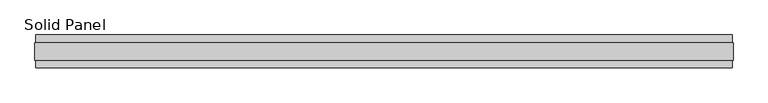
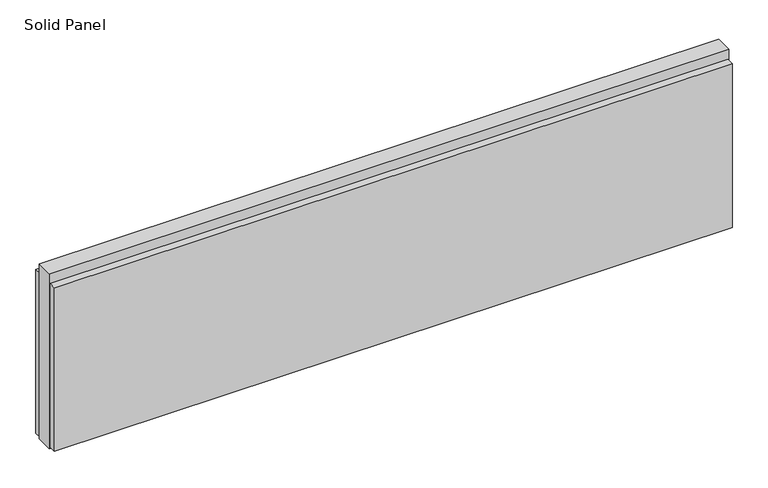
"""IFC4 building model written with IfcOpenShell, lengths in millimetres: plate geometry, Solid Panel."""

from ifc_helpers import new_model, si_unit, frame, origin, origin_with_axes, place, context, project, spatial, polyline, outline, extrude, source, transform, mapped, element, save


def solid_panel_81cdba75(model_context):
    return source(origin(), model_context, "Body", "SweptSolid", [
        extrude(outline(polyline([(1024.0783708, -48.4531867), (-1024.0783708, -48.4531867), (-1024.0783708, -25.9961), (1024.0783708, -25.9961), (1024.0783708, -48.4531867)])), frame((0.0, 0.0, 3.0099), z_axis=(0.0, 0.0, 1.0), x_axis=(1.0, 0.0, 0.0)), (0.0, 0.0, 1.0), 523.7861),
        extrude(outline(polyline([(1024.0783708, 25.9977), (-1024.0783708, 25.9977), (-1024.0783708, 48.4547867), (1024.0783708, 48.4547867), (1024.0783708, 25.9977)])), frame((0.0, 0.0, 3.0099), z_axis=(0.0, 0.0, 1.0), x_axis=(1.0, 0.0, 0.0)), (0.0, 0.0, 1.0), 523.7861),
        extrude(outline(polyline([(1027.0755708, -25.9961), (-1027.0755708, -25.9961), (-1027.0755708, 25.9977), (1027.0755708, 25.9977), (1027.0755708, -25.9961)])), origin_with_axes(), (0.0, 0.0, 1.0), 558.8),
    ])


if __name__ == "__main__":
    model = new_model("IFC4")
    model_context = context("Model", 3, world=origin())
    ifc_project = project(units=[si_unit("LENGTHUNIT", "METRE", prefix="MILLI")], contexts=[model_context])
    site = spatial("IfcSite", under=ifc_project)
    building = spatial("IfcBuilding", under=site)
    placement = place(None, origin())
    solid_panel_shape = solid_panel_81cdba75(model_context)
    element("IfcPlate", 1, ObjectType="Solid Panel", at=placement, inside=building, context=model_context, shape_type="MappedRepresentation", body=[
        mapped(solid_panel_shape, transform((0.0, 0.0, 0.0), x_axis=(1.0, 0.0, 0.0), y_axis=(0.0, 1.0, 0.0), z_axis=(0.0, 0.0, 1.0))),
    ])
    save(model, "model.ifc")
